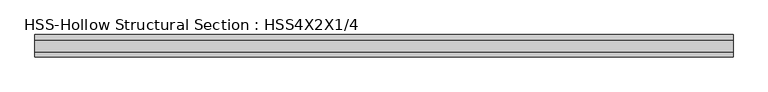
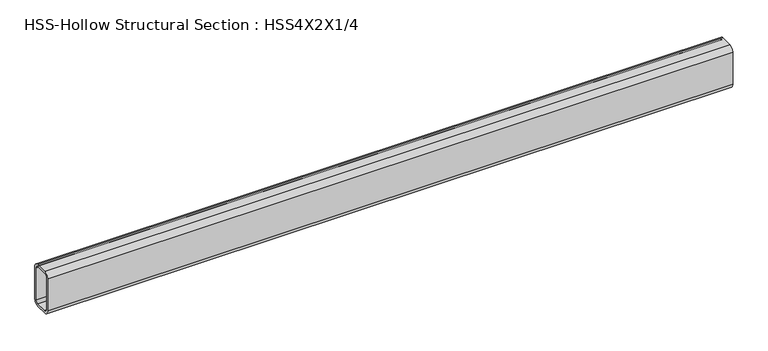
"""IFC4 building model written with IfcOpenShell, lengths in millimetres: beam geometry, HSS-Hollow Structural Section : HSS4X2X1/4."""

from ifc_helpers import new_model, si_unit, point, frame, frame_2d, origin, place, context, project, spatial, polyline, circle_curve, trimmed, segment, composite_curve, outline, extrude, source, transform, mapped, element, save


def hss_hollow_structural_section_hss4x2x1_4_25366044(model_context):
    return source(origin(), model_context, "Body", "SweptSolid", [
        extrude(outline(composite_curve([segment(polyline([(25.4, 38.9636), (25.4, -38.9636)]), True, "CONTINUOUS"), segment(trimmed(circle_curve(frame_2d((13.5636, -38.9636)), 11.8364), [point((25.4, -38.9636))], [point((13.5636, -50.8))], False, "CARTESIAN"), True, "CONTINUOUS"), segment(polyline([(13.5636, -50.8), (-13.5636, -50.8)]), True, "CONTINUOUS"), segment(trimmed(circle_curve(frame_2d((-13.5636, -38.9636)), 11.8364), [point((-13.5636, -50.8))], [point((-25.4, -38.9636))], False, "CARTESIAN"), True, "CONTINUOUS"), segment(polyline([(-25.4, -38.9636), (-25.4, 38.9636)]), True, "CONTINUOUS"), segment(trimmed(circle_curve(frame_2d((-13.5636, 38.9636)), 11.8364), [point((-25.4, 38.9636))], [point((-13.5636, 50.8))], False, "CARTESIAN"), True, "CONTINUOUS"), segment(polyline([(-13.5636, 50.8), (13.5636, 50.8)]), True, "CONTINUOUS"), segment(trimmed(circle_curve(frame_2d((13.5636, 38.9636)), 11.8364), [point((13.5636, 50.8))], [point((25.4, 38.9636))], False, "CARTESIAN"), True, "CONTINUOUS")], self_intersect=False), holes=[composite_curve([segment(trimmed(circle_curve(frame_2d((-13.5636, 38.9636)), 5.9182), [point((-13.5636, 44.8818))], [point((-19.4818, 38.9636))], True, "CARTESIAN"), True, "CONTINUOUS"), segment(polyline([(-19.4818, 38.9636), (-19.4818, -38.9636)]), True, "CONTINUOUS"), segment(trimmed(circle_curve(frame_2d((-13.5636, -38.9636)), 5.9182), [point((-19.4818, -38.9636))], [point((-13.5636, -44.8818))], True, "CARTESIAN"), True, "CONTINUOUS"), segment(polyline([(-13.5636, -44.8818), (13.5636, -44.8818)]), True, "CONTINUOUS"), segment(trimmed(circle_curve(frame_2d((13.5636, -38.9636)), 5.9182), [point((13.5636, -44.8818))], [point((19.4818, -38.9636))], True, "CARTESIAN"), True, "CONTINUOUS"), segment(polyline([(19.4818, -38.9636), (19.4818, 38.9636)]), True, "CONTINUOUS"), segment(trimmed(circle_curve(frame_2d((13.5636, 38.9636)), 5.9182), [point((19.4818, 38.9636))], [point((13.5636, 44.8818))], True, "CARTESIAN"), True, "CONTINUOUS"), segment(polyline([(13.5636, 44.8818), (-13.5636, 44.8818)]), True, "CONTINUOUS")], self_intersect=False)]), frame((-788.543193, 0.0, 0.0), z_axis=(1.0, 0.0, 0.0), x_axis=(0.0, 1.0, 0.0)), (0.0, 0.0, 1.0), 1577.0863861),
    ])


if __name__ == "__main__":
    model = new_model("IFC4")
    model_context = context("Model", 3, world=origin())
    ifc_project = project(units=[si_unit("LENGTHUNIT", "METRE", prefix="MILLI")], contexts=[model_context])
    site = spatial("IfcSite", under=ifc_project)
    building = spatial("IfcBuilding", under=site)
    placement = place(None, origin())
    hss_hollow_structural_section_hss4x2x1_4_shape = hss_hollow_structural_section_hss4x2x1_4_25366044(model_context)
    element("IfcBeam", 1, ObjectType="HSS-Hollow Structural Section : HSS4X2X1/4", at=placement, inside=building, context=model_context, shape_type="MappedRepresentation", body=[
        mapped(hss_hollow_structural_section_hss4x2x1_4_shape, transform((0.0, 0.0, 0.0), x_axis=(1.0, 0.0, 0.0), y_axis=(0.0, 1.0, 0.0), z_axis=(0.0, 0.0, 1.0))),
    ])
    save(model, "model.ifc")
